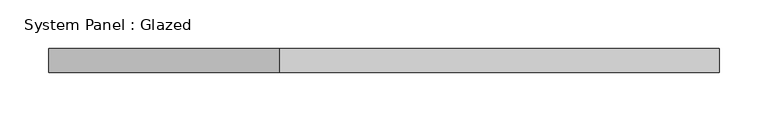
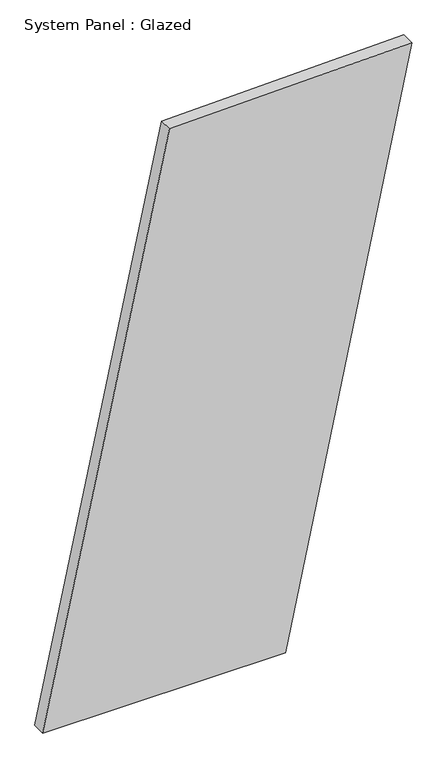
"""IFC4 building model written with IfcOpenShell, lengths in millimetres: plate geometry, System Panel : Glazed."""

from ifc_helpers import new_model, si_unit, frame, origin, place, context, project, spatial, polyline, outline, extrude, source, transform, mapped, element, save


def system_panel_glazed_faea8dab(model_context):
    return source(origin(), model_context, "Body", "SweptSolid", [
        extrude(outline(polyline([(0.0, -345.7187832), (0.0, 109.6944714), (1124.1030565, 345.7187832), (1112.0298536, -108.1848472), (0.0, -345.7187832)])), frame((0.0, -49.5, 0.0), z_axis=(0.0, 1.0, 0.0), x_axis=(0.0, 0.0, 1.0)), (0.0, 0.0, 1.0), 25.0),
    ])


if __name__ == "__main__":
    model = new_model("IFC4")
    model_context = context("Model", 3, world=origin())
    ifc_project = project(units=[si_unit("LENGTHUNIT", "METRE", prefix="MILLI")], contexts=[model_context])
    site = spatial("IfcSite", under=ifc_project)
    building = spatial("IfcBuilding", under=site)
    placement = place(None, origin())
    system_panel_glazed_shape = system_panel_glazed_faea8dab(model_context)
    element("IfcPlate", 1, ObjectType="System Panel : Glazed", at=placement, inside=building, context=model_context, shape_type="MappedRepresentation", body=[
        mapped(system_panel_glazed_shape, transform((0.0, 0.0, 0.0), x_axis=(1.0, 0.0, 0.0), y_axis=(0.0, 1.0, 0.0), z_axis=(0.0, 0.0, 1.0))),
    ])
    save(model, "model.ifc")
